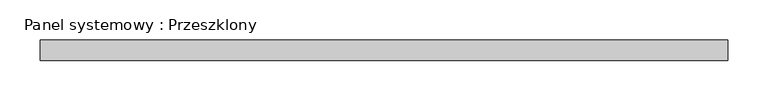
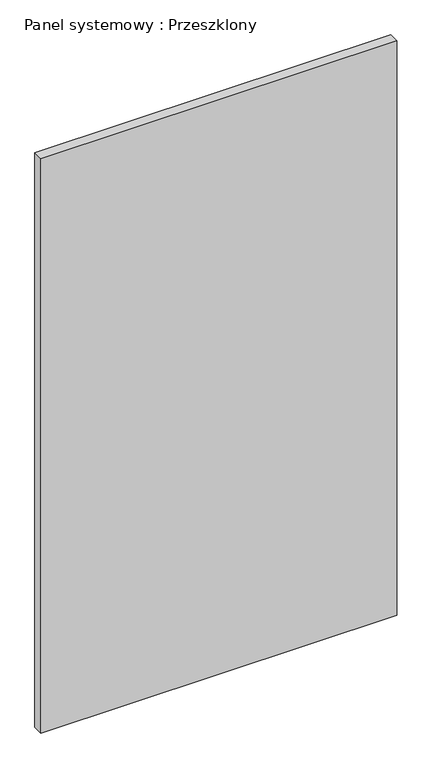
"""IFC4 building model written with IfcOpenShell, lengths in millimetres: plate geometry, Panel systemowy : Przeszklony."""

from ifc_helpers import new_model, si_unit, origin, origin_with_axes, place, context, project, spatial, polyline, outline, extrude, source, transform, mapped, element, save


def panel_systemowy_przeszklony_3b55de2c(model_context):
    return source(origin(), model_context, "Body", "SweptSolid", [
        extrude(outline(polyline([(425.0, 24.5), (-425.0, 24.5), (-425.0, 49.5), (425.0, 49.5), (425.0, 24.5)])), origin_with_axes(), (0.0, 0.0, 1.0), 1450.0),
    ])


if __name__ == "__main__":
    model = new_model("IFC4")
    model_context = context("Model", 3, world=origin())
    ifc_project = project(units=[si_unit("LENGTHUNIT", "METRE", prefix="MILLI")], contexts=[model_context])
    site = spatial("IfcSite", under=ifc_project)
    building = spatial("IfcBuilding", under=site)
    placement = place(None, origin())
    panel_systemowy_przeszklony_shape = panel_systemowy_przeszklony_3b55de2c(model_context)
    element("IfcPlate", 1, ObjectType="Panel systemowy : Przeszklony", at=placement, inside=building, context=model_context, shape_type="MappedRepresentation", body=[
        mapped(panel_systemowy_przeszklony_shape, transform((0.0, 0.0, 0.0), x_axis=(1.0, 0.0, 0.0), y_axis=(0.0, 1.0, 0.0), z_axis=(0.0, 0.0, 1.0))),
    ])
    save(model, "model.ifc")
